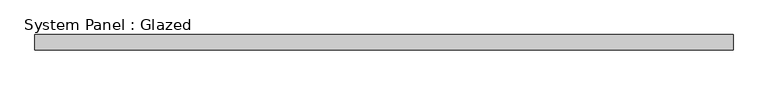
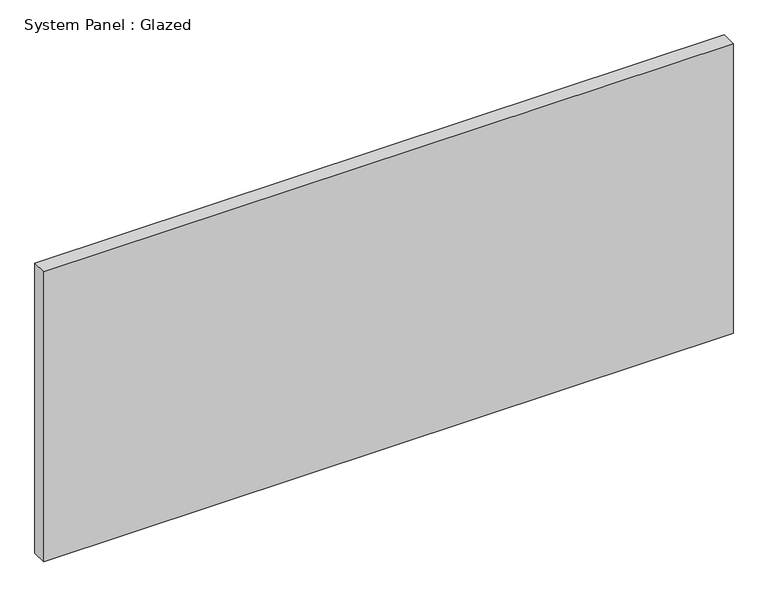
"""IFC4 building model written with IfcOpenShell, lengths in millimetres: plate geometry, System Panel : Glazed."""

from ifc_helpers import new_model, si_unit, origin, origin_with_axes, place, context, project, spatial, polyline, outline, extrude, source, transform, mapped, element, save


def system_panel_glazed_8e664551(model_context):
    return source(origin(), model_context, "Body", "SweptSolid", [
        extrude(outline(polyline([(578.64375, 19.05), (-578.64375, 19.05), (-578.64375, 44.45), (578.64375, 44.45), (578.64375, 19.05)])), origin_with_axes(), (0.0, 0.0, 1.0), 514.35),
    ])


if __name__ == "__main__":
    model = new_model("IFC4")
    model_context = context("Model", 3, world=origin())
    ifc_project = project(units=[si_unit("LENGTHUNIT", "METRE", prefix="MILLI")], contexts=[model_context])
    site = spatial("IfcSite", under=ifc_project)
    building = spatial("IfcBuilding", under=site)
    placement = place(None, origin())
    system_panel_glazed_shape = system_panel_glazed_8e664551(model_context)
    element("IfcPlate", 1, ObjectType="System Panel : Glazed", at=placement, inside=building, context=model_context, shape_type="MappedRepresentation", body=[
        mapped(system_panel_glazed_shape, transform((0.0, 0.0, 0.0), x_axis=(1.0, 0.0, 0.0), y_axis=(0.0, 1.0, 0.0), z_axis=(0.0, 0.0, 1.0))),
    ])
    save(model, "model.ifc")
